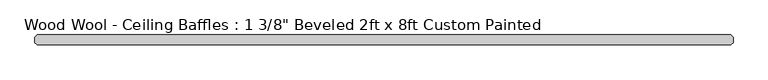
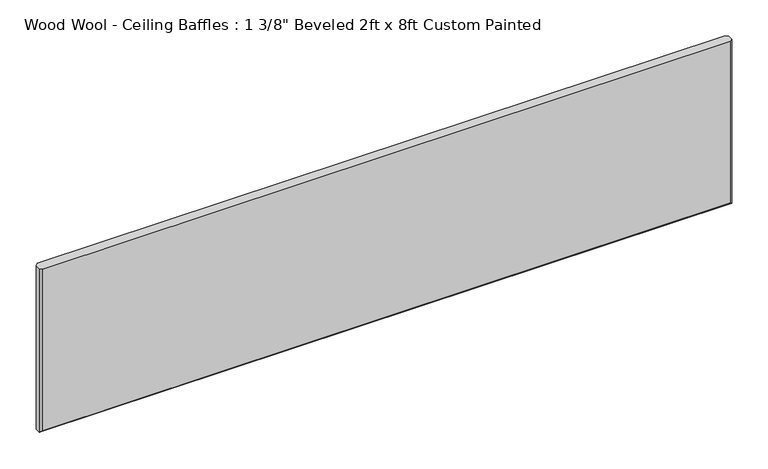
"""IFC4 building model written with IfcOpenShell, lengths in millimetres: proxy geometry."""

from ifc_helpers import new_model, si_unit, origin, place, context, project, spatial, faceted_brep, source, transform, mapped, element, save


def proxy_24efd409(model_context):
    return source(origin(), model_context, "Body", "Brep", [
        faceted_brep([(1211.199, -34.925, 609.6), (-1211.199, -34.925, 609.6), (-1211.199, -34.925, 8.001), (1211.199, -34.925, 8.001), (-1211.199, 0.0, 609.6), (1211.199, 0.0, 609.6), (1211.199, 0.0, 8.001), (-1211.199, 0.0, 8.001), (1219.2, -26.924, 609.6), (1219.2, -26.924, 0.0), (1219.2, -8.001, 0.0), (1219.2, -8.001, 609.6), (-1219.2, -8.001, 609.6), (-1219.2, -26.924, 609.6), (-1219.2, -26.924, 0.0), (-1219.2, -8.001, 0.0)], [[[0, 1, 2, 3]], [[4, 5, 6, 7]], [[8, 9, 10, 11]], [[1, 0, 8, 11, 5, 4, 12, 13]], [[14, 13, 12, 15]], [[9, 14, 15, 10]], [[9, 3, 2, 14]], [[3, 9, 8, 0]], [[14, 2, 1, 13]], [[10, 6, 5, 11]], [[6, 10, 15, 7]], [[7, 15, 12, 4]]]),
    ])


if __name__ == "__main__":
    model = new_model("IFC4")
    model_context = context("Model", 3, world=origin())
    ifc_project = project(units=[si_unit("LENGTHUNIT", "METRE", prefix="MILLI")], contexts=[model_context])
    site = spatial("IfcSite", under=ifc_project)
    building = spatial("IfcBuilding", under=site)
    placement = place(None, origin())
    proxy_shape = proxy_24efd409(model_context)
    element("IfcBuildingElementProxy", 1, Name="Wood Wool - Ceiling Baffles : 1 3/8\" Beveled 2ft x 8ft Custom Painted", ObjectType="Wood Wool - Ceiling Baffles : 1 3/8\" Beveled 2ft x 8ft Custom Painted", at=placement, inside=building, context=model_context, shape_type="MappedRepresentation", body=[
        mapped(proxy_shape, transform((0.0, 0.0, 0.0), x_axis=(1.0, 0.0, 0.0), y_axis=(0.0, 1.0, 0.0), z_axis=(0.0, 0.0, 1.0))),
    ])
    save(model, "model.ifc")
